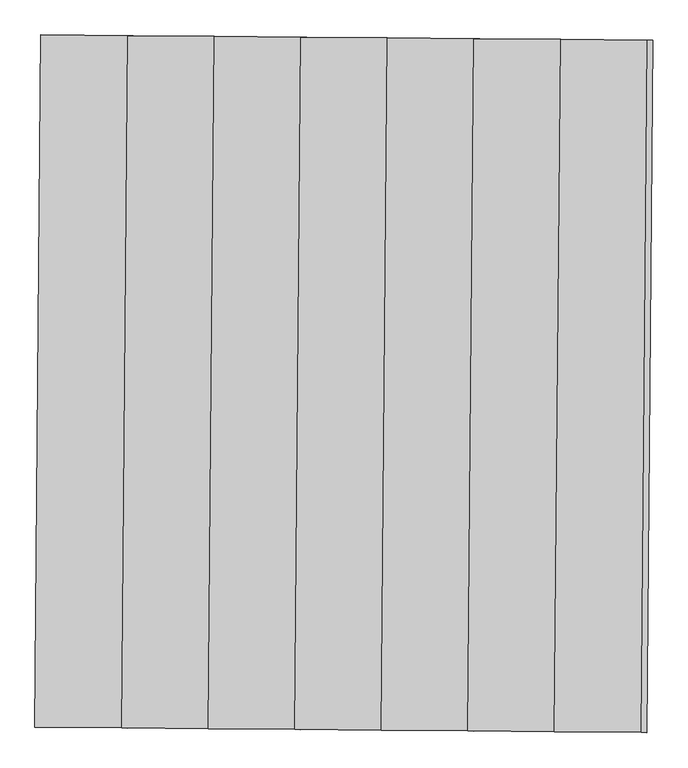
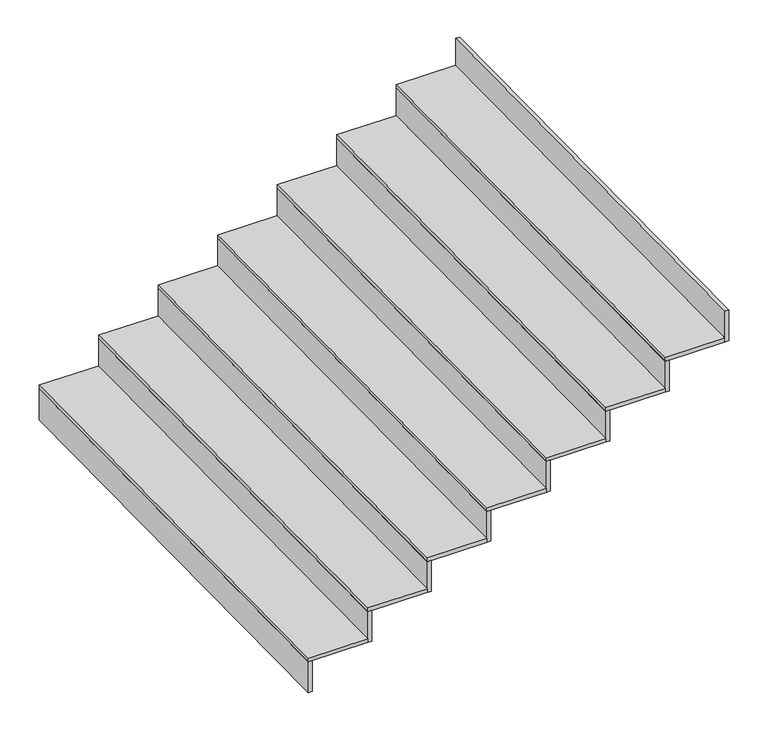
"""IFC4 building model written with IfcOpenShell, lengths in millimetres: stair flight geometry."""

from ifc_helpers import new_model, si_unit, frame, origin, place, context, project, spatial, polyline, outline, extrude, source, transform, mapped, element, save


def stair_flight_40bc4289(model_context):
    return source(origin(), model_context, "Body", "SweptSolid", [
        extrude(outline(polyline([(-140491.0521478, 80788.6556078), (-140511.0513863, 80788.8301385), (-140490.1077011, 83188.7387538), (-140470.1084626, 83188.5642231), (-140491.0521478, 80788.6556078)])), frame((0.0, 0.0, 9934.125), z_axis=(0.0, 0.0, 1.0), x_axis=(1.0, 0.0, 0.0)), (0.0, 0.0, 1.0), 165.078125),
        extrude(outline(polyline([(-140190.1191241, 83186.1207932), (-140211.0628093, 80786.2121778), (-140511.0513863, 80788.8301385), (-140490.1077011, 83188.7387538), (-140190.1191241, 83186.1207932)])), frame((0.0, 0.0, 10099.203125), z_axis=(0.0, 0.0, 1.0), x_axis=(1.0, 0.0, 0.0)), (0.0, 0.0, 1.0), 20.0),
        extrude(outline(polyline([(-140191.0635709, 80786.0376471), (-140211.0628093, 80786.2121778), (-140190.1191241, 83186.1207932), (-140170.1198857, 83185.9462625), (-140191.0635709, 80786.0376471)])), frame((0.0, 0.0, 10099.203125), z_axis=(0.0, 0.0, 1.0), x_axis=(1.0, 0.0, 0.0)), (0.0, 0.0, 1.0), 165.078125),
        extrude(outline(polyline([(-139890.1305472, 83183.5028325), (-139911.0742324, 80783.5942172), (-140211.0628093, 80786.2121778), (-140190.1191241, 83186.1207932), (-139890.1305472, 83183.5028325)])), frame((0.0, 0.0, 10264.28125), z_axis=(0.0, 0.0, 1.0), x_axis=(1.0, 0.0, 0.0)), (0.0, 0.0, 1.0), 20.0),
        extrude(outline(polyline([(-139891.074994, 80783.4196865), (-139911.0742324, 80783.5942172), (-139890.1305472, 83183.5028325), (-139870.1313088, 83183.3283018), (-139891.074994, 80783.4196865)])), frame((0.0, 0.0, 10264.28125), z_axis=(0.0, 0.0, 1.0), x_axis=(1.0, 0.0, 0.0)), (0.0, 0.0, 1.0), 165.078125),
        extrude(outline(polyline([(-139590.1419703, 83180.8848719), (-139611.0856555, 80780.9762565), (-139911.0742324, 80783.5942172), (-139890.1305472, 83183.5028325), (-139590.1419703, 83180.8848719)])), frame((0.0, 0.0, 10429.359375), z_axis=(0.0, 0.0, 1.0), x_axis=(1.0, 0.0, 0.0)), (0.0, 0.0, 1.0), 20.0),
        extrude(outline(polyline([(-139591.086417, 80780.8017258), (-139611.0856555, 80780.9762565), (-139590.1419703, 83180.8848719), (-139570.1427318, 83180.7103412), (-139591.086417, 80780.8017258)])), frame((0.0, 0.0, 10429.359375), z_axis=(0.0, 0.0, 1.0), x_axis=(1.0, 0.0, 0.0)), (0.0, 0.0, 1.0), 165.078125),
        extrude(outline(polyline([(-139290.1533934, 83178.2669112), (-139311.0970786, 80778.3582959), (-139611.0856555, 80780.9762565), (-139590.1419703, 83180.8848719), (-139290.1533934, 83178.2669112)])), frame((0.0, 0.0, 10594.4375), z_axis=(0.0, 0.0, 1.0), x_axis=(1.0, 0.0, 0.0)), (0.0, 0.0, 1.0), 20.0),
        extrude(outline(polyline([(-139291.0978401, 80778.1837652), (-139311.0970786, 80778.3582959), (-139290.1533934, 83178.2669112), (-139270.1541549, 83178.0923805), (-139291.0978401, 80778.1837652)])), frame((0.0, 0.0, 10594.4375), z_axis=(0.0, 0.0, 1.0), x_axis=(1.0, 0.0, 0.0)), (0.0, 0.0, 1.0), 165.078125),
        extrude(outline(polyline([(-138990.1648165, 83175.6489506), (-139011.1085017, 80775.7403352), (-139311.0970786, 80778.3582959), (-139290.1533934, 83178.2669112), (-138990.1648165, 83175.6489506)])), frame((0.0, 0.0, 10759.515625), z_axis=(0.0, 0.0, 1.0), x_axis=(1.0, 0.0, 0.0)), (0.0, 0.0, 1.0), 20.0),
        extrude(outline(polyline([(-138991.1092632, 80775.5658045), (-139011.1085017, 80775.7403352), (-138990.1648165, 83175.6489506), (-138970.165578, 83175.4744199), (-138991.1092632, 80775.5658045)])), frame((0.0, 0.0, 10759.515625), z_axis=(0.0, 0.0, 1.0), x_axis=(1.0, 0.0, 0.0)), (0.0, 0.0, 1.0), 165.078125),
        extrude(outline(polyline([(-138690.1762395, 83173.0309899), (-138711.1199247, 80773.1223746), (-139011.1085017, 80775.7403352), (-138990.1648165, 83175.6489506), (-138690.1762395, 83173.0309899)])), frame((0.0, 0.0, 10924.59375), z_axis=(0.0, 0.0, 1.0), x_axis=(1.0, 0.0, 0.0)), (0.0, 0.0, 1.0), 20.0),
        extrude(outline(polyline([(-138691.1206863, 80772.9478439), (-138711.1199247, 80773.1223746), (-138690.1762395, 83173.0309899), (-138670.1770011, 83172.8564592), (-138691.1206863, 80772.9478439)])), frame((0.0, 0.0, 10924.59375), z_axis=(0.0, 0.0, 1.0), x_axis=(1.0, 0.0, 0.0)), (0.0, 0.0, 1.0), 165.078125),
        extrude(outline(polyline([(-138391.1321094, 80770.3298832), (-138411.1313478, 80770.5044139), (-138390.1876626, 83170.4130293), (-138370.1884242, 83170.2384986), (-138391.1321094, 80770.3298832)])), frame((0.0, 0.0, 11089.671875), z_axis=(0.0, 0.0, 1.0), x_axis=(1.0, 0.0, 0.0)), (0.0, 0.0, 1.0), 165.078125),
        extrude(outline(polyline([(-138390.1876626, 83170.4130293), (-138411.1313478, 80770.5044139), (-138711.1199247, 80773.1223746), (-138690.1762395, 83173.0309899), (-138390.1876626, 83170.4130293)])), frame((0.0, 0.0, 11089.671875), z_axis=(0.0, 0.0, 1.0), x_axis=(1.0, 0.0, 0.0)), (0.0, 0.0, 1.0), 20.0),
    ])


if __name__ == "__main__":
    model = new_model("IFC4")
    model_context = context("Model", 3, world=origin())
    ifc_project = project(units=[si_unit("LENGTHUNIT", "METRE", prefix="MILLI")], contexts=[model_context])
    site = spatial("IfcSite", under=ifc_project)
    building = spatial("IfcBuilding", under=site)
    placement = place(None, origin())
    stair_flight_shape = stair_flight_40bc4289(model_context)
    element("IfcStairFlight", 1, at=placement, inside=building, context=model_context, shape_type="MappedRepresentation", body=[
        mapped(stair_flight_shape, transform((0.0, 0.0, 0.0), x_axis=(1.0, 0.0, 0.0), y_axis=(0.0, 1.0, 0.0), z_axis=(0.0, 0.0, 1.0))),
    ])
    save(model, "model.ifc")
